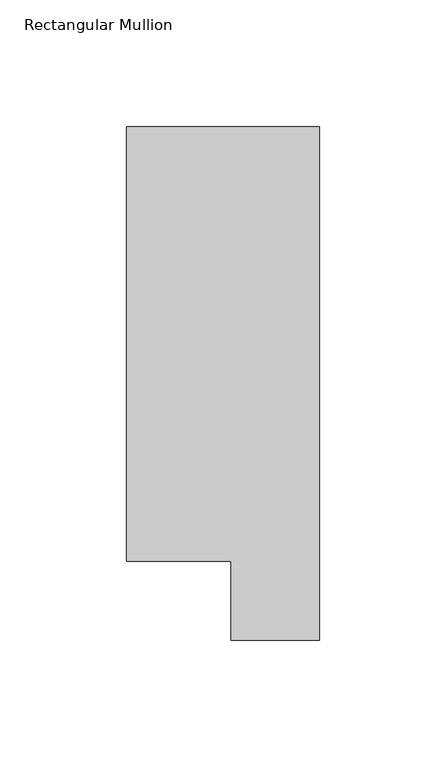
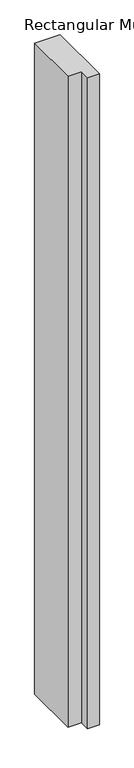
"""IFC4 building model written with IfcOpenShell, lengths in millimetres: member geometry, Rectangular Mullion."""

from ifc_helpers import new_model, si_unit, frame, origin, place, context, project, spatial, polyline, outline, extrude, source, transform, mapped, element, save


def rectangular_mullion_80965f99(model_context):
    return source(origin(), model_context, "Body", "SweptSolid", [
        extrude(outline(polyline([(0.0, 222.5381312), (0.0, 19.5667313), (-34.9123, 19.5667313), (-34.9123, 50.820278), (-76.2, 50.820278), (-76.2, 222.5381312), (0.0, 222.5381312)])), frame((0.0, 0.0, -2057.4), z_axis=(0.0, 0.0, 1.0), x_axis=(1.0, 0.0, 0.0)), (0.0, 0.0, 1.0), 2057.4),
    ])


if __name__ == "__main__":
    model = new_model("IFC4")
    model_context = context("Model", 3, world=origin())
    ifc_project = project(units=[si_unit("LENGTHUNIT", "METRE", prefix="MILLI")], contexts=[model_context])
    site = spatial("IfcSite", under=ifc_project)
    building = spatial("IfcBuilding", under=site)
    placement = place(None, origin())
    rectangular_mullion_shape = rectangular_mullion_80965f99(model_context)
    element("IfcMember", 1, ObjectType="Rectangular Mullion", at=placement, inside=building, context=model_context, shape_type="MappedRepresentation", body=[
        mapped(rectangular_mullion_shape, transform((0.0, 0.0, 0.0), x_axis=(1.0, 0.0, 0.0), y_axis=(0.0, 1.0, 0.0), z_axis=(0.0, 0.0, 1.0))),
    ])
    save(model, "model.ifc")
